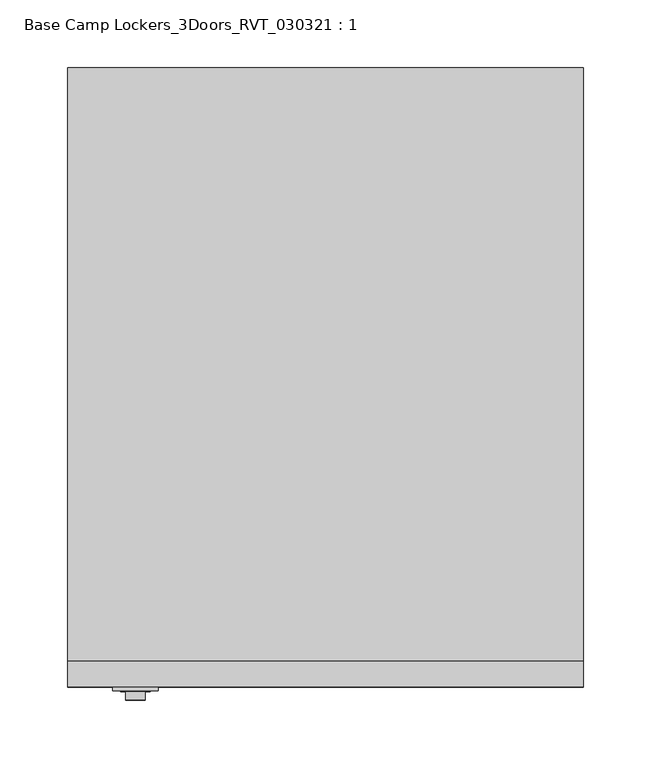
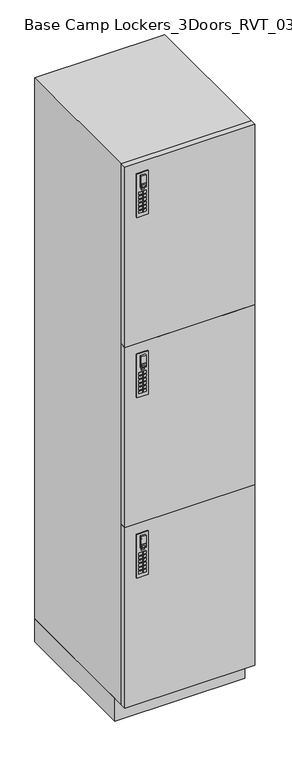
"""IFC4 building model written with IfcOpenShell, lengths in millimetres: furniture geometry, Base Camp Lockers_3Doors_RVT_030321 : 1."""

from ifc_helpers import new_model, si_unit, point, frame, frame_2d, origin, origin_with_axes, place, context, project, spatial, polyline, circle_curve, trimmed, segment, composite_curve, outline, extrude, source, transform, mapped, element, save


def base_camp_lockers_3doors_rvt_030321_1_54a987f4(model_context):
    return source(origin(), model_context, "Body", "SweptSolid", [
        extrude(outline(polyline([(-335.5659847, -459.994), (-326.1679847, -459.994), (-326.1679847, -460.8078831), (-335.5659847, -460.8078831), (-335.5659847, -459.994)])), frame((0.0, 0.0, 546.5907206), z_axis=(0.0, 0.0, 1.0), x_axis=(1.0, 0.0, 0.0)), (0.0, 0.0, 1.0), 4.8387031),
        extrude(outline(polyline([(-341.8914743, -459.994), (-331.9854743, -459.994), (-331.9854743, -460.8078831), (-341.8914743, -460.8078831), (-341.8914743, -459.994)])), frame((0.0, 0.0, 510.032), z_axis=(0.0, 0.0, 1.0), x_axis=(1.0, 0.0, 0.0)), (0.0, 0.0, 1.0), 7.874),
        extrude(outline(polyline([(-341.8914743, -459.994), (-331.9854743, -459.994), (-331.9854743, -460.8078831), (-341.8914743, -460.8078831), (-341.8914743, -459.994)])), frame((0.0, 0.0, 498.602), z_axis=(0.0, 0.0, 1.0), x_axis=(1.0, 0.0, 0.0)), (0.0, 0.0, 1.0), 7.874),
        extrude(outline(polyline([(-341.8914743, -459.994), (-331.9854743, -459.994), (-331.9854743, -460.8078831), (-341.8914743, -460.8078831), (-341.8914743, -459.994)])), frame((0.0, 0.0, 532.892), z_axis=(0.0, 0.0, 1.0), x_axis=(1.0, 0.0, 0.0)), (0.0, 0.0, 1.0), 7.874),
        extrude(outline(polyline([(-341.8914743, -459.994), (-331.9854743, -459.994), (-331.9854743, -460.8078831), (-341.8914743, -460.8078831), (-341.8914743, -459.994)])), frame((0.0, 0.0, 521.462), z_axis=(0.0, 0.0, 1.0), x_axis=(1.0, 0.0, 0.0)), (0.0, 0.0, 1.0), 7.874),
        extrude(outline(polyline([(-341.8914743, -459.994), (-331.9854743, -459.994), (-331.9854743, -460.8078831), (-341.8914743, -460.8078831), (-341.8914743, -459.994)])), frame((0.0, 0.0, 487.172), z_axis=(0.0, 0.0, 1.0), x_axis=(1.0, 0.0, 0.0)), (0.0, 0.0, 1.0), 7.874),
        extrude(outline(polyline([(-341.8914743, -459.994), (-331.9854743, -459.994), (-331.9854743, -460.8078831), (-341.8914743, -460.8078831), (-341.8914743, -459.994)])), frame((0.0, 0.0, 475.742), z_axis=(0.0, 0.0, 1.0), x_axis=(1.0, 0.0, 0.0)), (0.0, 0.0, 1.0), 7.874),
        extrude(outline(polyline([(-329.9385257, -459.994), (-320.0325257, -459.994), (-320.0325257, -460.8078831), (-329.9385257, -460.8078831), (-329.9385257, -459.994)])), frame((0.0, 0.0, 510.032), z_axis=(0.0, 0.0, 1.0), x_axis=(1.0, 0.0, 0.0)), (0.0, 0.0, 1.0), 7.874),
        extrude(outline(polyline([(-329.9385257, -459.994), (-320.0325257, -459.994), (-320.0325257, -460.8078831), (-329.9385257, -460.8078831), (-329.9385257, -459.994)])), frame((0.0, 0.0, 498.602), z_axis=(0.0, 0.0, 1.0), x_axis=(1.0, 0.0, 0.0)), (0.0, 0.0, 1.0), 7.874),
        extrude(outline(polyline([(-329.9385257, -459.994), (-320.0325257, -459.994), (-320.0325257, -460.8078831), (-329.9385257, -460.8078831), (-329.9385257, -459.994)])), frame((0.0, 0.0, 532.892), z_axis=(0.0, 0.0, 1.0), x_axis=(1.0, 0.0, 0.0)), (0.0, 0.0, 1.0), 7.874),
        extrude(outline(polyline([(-329.9385257, -459.994), (-320.0325257, -459.994), (-320.0325257, -460.8078831), (-329.9385257, -460.8078831), (-329.9385257, -459.994)])), frame((0.0, 0.0, 521.462), z_axis=(0.0, 0.0, 1.0), x_axis=(1.0, 0.0, 0.0)), (0.0, 0.0, 1.0), 7.874),
        extrude(outline(polyline([(-329.9385257, -459.994), (-320.0325257, -459.994), (-320.0325257, -460.8078831), (-329.9385257, -460.8078831), (-329.9385257, -459.994)])), frame((0.0, 0.0, 487.172), z_axis=(0.0, 0.0, 1.0), x_axis=(1.0, 0.0, 0.0)), (0.0, 0.0, 1.0), 7.874),
        extrude(outline(polyline([(-329.9385257, -459.994), (-320.0325257, -459.994), (-320.0325257, -460.8078831), (-329.9385257, -460.8078831), (-329.9385257, -459.994)])), frame((0.0, 0.0, 475.742), z_axis=(0.0, 0.0, 1.0), x_axis=(1.0, 0.0, 0.0)), (0.0, 0.0, 1.0), 7.874),
        extrude(outline(composite_curve([segment(trimmed(circle_curve(frame_2d((582.4707407, -330.962)), 3.302), [point((582.4707407, -334.264))], [point((582.4707407, -327.66))], False, "CARTESIAN"), True, "CONTINUOUS"), segment(trimmed(circle_curve(frame_2d((582.4707407, -330.962)), 3.302), [point((582.4707407, -327.66))], [point((582.4707407, -334.264))], False, "CARTESIAN"), True, "CONTINUOUS")], self_intersect=False)), frame((0.0, -461.01, 0.0), z_axis=(0.0, 1.0, 0.0), x_axis=(0.0, 0.0, 1.0)), (0.0, 0.0, 1.0), 1.016),
        extrude(outline(polyline([(592.836, -323.723), (592.836, -338.201), (556.26, -338.201), (556.26, -323.723), (592.836, -323.723)]), holes=[polyline([(558.7050696, -326.1679847), (558.7050696, -335.5659847), (569.3404975, -335.5659847), (569.3404975, -326.1679847), (558.7050696, -326.1679847)])]), frame((0.0, -466.852, 0.0), z_axis=(0.0, 1.0, 0.0), x_axis=(0.0, 0.0, 1.0)), (0.0, 0.0, 1.0), 5.842),
        extrude(outline(polyline([(-347.726, -457.2), (-314.198, -457.2), (-314.198, -459.994), (-347.726, -459.994), (-347.726, -457.2)])), frame((0.0, 0.0, 464.566), z_axis=(0.0, 0.0, 1.0), x_axis=(1.0, 0.0, 0.0)), (0.0, 0.0, 1.0), 134.62),
        extrude(outline(polyline([(-335.5659847, -459.994), (-326.1679847, -459.994), (-326.1679847, -460.8078831), (-335.5659847, -460.8078831), (-335.5659847, -459.994)])), frame((0.0, 0.0, 1105.3907206), z_axis=(0.0, 0.0, 1.0), x_axis=(1.0, 0.0, 0.0)), (0.0, 0.0, 1.0), 4.8387031),
        extrude(outline(polyline([(-341.8914743, -459.994), (-331.9854743, -459.994), (-331.9854743, -460.8078831), (-341.8914743, -460.8078831), (-341.8914743, -459.994)])), frame((0.0, 0.0, 1068.832), z_axis=(0.0, 0.0, 1.0), x_axis=(1.0, 0.0, 0.0)), (0.0, 0.0, 1.0), 7.874),
        extrude(outline(polyline([(-341.8914743, -459.994), (-331.9854743, -459.994), (-331.9854743, -460.8078831), (-341.8914743, -460.8078831), (-341.8914743, -459.994)])), frame((0.0, 0.0, 1057.402), z_axis=(0.0, 0.0, 1.0), x_axis=(1.0, 0.0, 0.0)), (0.0, 0.0, 1.0), 7.874),
        extrude(outline(polyline([(-341.8914743, -459.994), (-331.9854743, -459.994), (-331.9854743, -460.8078831), (-341.8914743, -460.8078831), (-341.8914743, -459.994)])), frame((0.0, 0.0, 1091.692), z_axis=(0.0, 0.0, 1.0), x_axis=(1.0, 0.0, 0.0)), (0.0, 0.0, 1.0), 7.874),
        extrude(outline(polyline([(-341.8914743, -459.994), (-331.9854743, -459.994), (-331.9854743, -460.8078831), (-341.8914743, -460.8078831), (-341.8914743, -459.994)])), frame((0.0, 0.0, 1080.262), z_axis=(0.0, 0.0, 1.0), x_axis=(1.0, 0.0, 0.0)), (0.0, 0.0, 1.0), 7.874),
        extrude(outline(polyline([(-341.8914743, -459.994), (-331.9854743, -459.994), (-331.9854743, -460.8078831), (-341.8914743, -460.8078831), (-341.8914743, -459.994)])), frame((0.0, 0.0, 1045.972), z_axis=(0.0, 0.0, 1.0), x_axis=(1.0, 0.0, 0.0)), (0.0, 0.0, 1.0), 7.874),
        extrude(outline(polyline([(-341.8914743, -459.994), (-331.9854743, -459.994), (-331.9854743, -460.8078831), (-341.8914743, -460.8078831), (-341.8914743, -459.994)])), frame((0.0, 0.0, 1034.542), z_axis=(0.0, 0.0, 1.0), x_axis=(1.0, 0.0, 0.0)), (0.0, 0.0, 1.0), 7.874),
        extrude(outline(polyline([(-329.9385257, -459.994), (-320.0325257, -459.994), (-320.0325257, -460.8078831), (-329.9385257, -460.8078831), (-329.9385257, -459.994)])), frame((0.0, 0.0, 1068.832), z_axis=(0.0, 0.0, 1.0), x_axis=(1.0, 0.0, 0.0)), (0.0, 0.0, 1.0), 7.874),
        extrude(outline(polyline([(-329.9385257, -459.994), (-320.0325257, -459.994), (-320.0325257, -460.8078831), (-329.9385257, -460.8078831), (-329.9385257, -459.994)])), frame((0.0, 0.0, 1057.402), z_axis=(0.0, 0.0, 1.0), x_axis=(1.0, 0.0, 0.0)), (0.0, 0.0, 1.0), 7.874),
        extrude(outline(polyline([(-329.9385257, -459.994), (-320.0325257, -459.994), (-320.0325257, -460.8078831), (-329.9385257, -460.8078831), (-329.9385257, -459.994)])), frame((0.0, 0.0, 1091.692), z_axis=(0.0, 0.0, 1.0), x_axis=(1.0, 0.0, 0.0)), (0.0, 0.0, 1.0), 7.874),
        extrude(outline(polyline([(-329.9385257, -459.994), (-320.0325257, -459.994), (-320.0325257, -460.8078831), (-329.9385257, -460.8078831), (-329.9385257, -459.994)])), frame((0.0, 0.0, 1080.262), z_axis=(0.0, 0.0, 1.0), x_axis=(1.0, 0.0, 0.0)), (0.0, 0.0, 1.0), 7.874),
        extrude(outline(polyline([(-329.9385257, -459.994), (-320.0325257, -459.994), (-320.0325257, -460.8078831), (-329.9385257, -460.8078831), (-329.9385257, -459.994)])), frame((0.0, 0.0, 1045.972), z_axis=(0.0, 0.0, 1.0), x_axis=(1.0, 0.0, 0.0)), (0.0, 0.0, 1.0), 7.874),
        extrude(outline(polyline([(-329.9385257, -459.994), (-320.0325257, -459.994), (-320.0325257, -460.8078831), (-329.9385257, -460.8078831), (-329.9385257, -459.994)])), frame((0.0, 0.0, 1034.542), z_axis=(0.0, 0.0, 1.0), x_axis=(1.0, 0.0, 0.0)), (0.0, 0.0, 1.0), 7.874),
        extrude(outline(composite_curve([segment(trimmed(circle_curve(frame_2d((1141.2707407, -330.962)), 3.302), [point((1141.2707407, -334.264))], [point((1141.2707407, -327.66))], False, "CARTESIAN"), True, "CONTINUOUS"), segment(trimmed(circle_curve(frame_2d((1141.2707407, -330.962)), 3.302), [point((1141.2707407, -327.66))], [point((1141.2707407, -334.264))], False, "CARTESIAN"), True, "CONTINUOUS")], self_intersect=False)), frame((0.0, -461.01, 0.0), z_axis=(0.0, 1.0, 0.0), x_axis=(0.0, 0.0, 1.0)), (0.0, 0.0, 1.0), 1.016),
        extrude(outline(polyline([(1151.636, -323.723), (1151.636, -338.201), (1115.06, -338.201), (1115.06, -323.723), (1151.636, -323.723)]), holes=[polyline([(1117.5050696, -326.1679847), (1117.5050696, -335.5659847), (1128.1404975, -335.5659847), (1128.1404975, -326.1679847), (1117.5050696, -326.1679847)])]), frame((0.0, -466.852, 0.0), z_axis=(0.0, 1.0, 0.0), x_axis=(0.0, 0.0, 1.0)), (0.0, 0.0, 1.0), 5.842),
        extrude(outline(polyline([(-347.726, -457.2), (-314.198, -457.2), (-314.198, -459.994), (-347.726, -459.994), (-347.726, -457.2)])), frame((0.0, 0.0, 1023.366), z_axis=(0.0, 0.0, 1.0), x_axis=(1.0, 0.0, 0.0)), (0.0, 0.0, 1.0), 134.62),
        extrude(outline(polyline([(-335.5659847, -459.994), (-326.1679847, -459.994), (-326.1679847, -460.8078831), (-335.5659847, -460.8078831), (-335.5659847, -459.994)])), frame((0.0, 0.0, 1664.1907206), z_axis=(0.0, 0.0, 1.0), x_axis=(1.0, 0.0, 0.0)), (0.0, 0.0, 1.0), 4.8387031),
        extrude(outline(polyline([(-341.8914743, -459.994), (-331.9854743, -459.994), (-331.9854743, -460.8078831), (-341.8914743, -460.8078831), (-341.8914743, -459.994)])), frame((0.0, 0.0, 1627.632), z_axis=(0.0, 0.0, 1.0), x_axis=(1.0, 0.0, 0.0)), (0.0, 0.0, 1.0), 7.874),
        extrude(outline(polyline([(-341.8914743, -459.994), (-331.9854743, -459.994), (-331.9854743, -460.8078831), (-341.8914743, -460.8078831), (-341.8914743, -459.994)])), frame((0.0, 0.0, 1616.202), z_axis=(0.0, 0.0, 1.0), x_axis=(1.0, 0.0, 0.0)), (0.0, 0.0, 1.0), 7.874),
        extrude(outline(polyline([(-341.8914743, -459.994), (-331.9854743, -459.994), (-331.9854743, -460.8078831), (-341.8914743, -460.8078831), (-341.8914743, -459.994)])), frame((0.0, 0.0, 1650.492), z_axis=(0.0, 0.0, 1.0), x_axis=(1.0, 0.0, 0.0)), (0.0, 0.0, 1.0), 7.874),
        extrude(outline(polyline([(-341.8914743, -459.994), (-331.9854743, -459.994), (-331.9854743, -460.8078831), (-341.8914743, -460.8078831), (-341.8914743, -459.994)])), frame((0.0, 0.0, 1639.062), z_axis=(0.0, 0.0, 1.0), x_axis=(1.0, 0.0, 0.0)), (0.0, 0.0, 1.0), 7.874),
        extrude(outline(polyline([(-341.8914743, -459.994), (-331.9854743, -459.994), (-331.9854743, -460.8078831), (-341.8914743, -460.8078831), (-341.8914743, -459.994)])), frame((0.0, 0.0, 1604.772), z_axis=(0.0, 0.0, 1.0), x_axis=(1.0, 0.0, 0.0)), (0.0, 0.0, 1.0), 7.874),
        extrude(outline(polyline([(-341.8914743, -459.994), (-331.9854743, -459.994), (-331.9854743, -460.8078831), (-341.8914743, -460.8078831), (-341.8914743, -459.994)])), frame((0.0, 0.0, 1593.342), z_axis=(0.0, 0.0, 1.0), x_axis=(1.0, 0.0, 0.0)), (0.0, 0.0, 1.0), 7.874),
        extrude(outline(polyline([(-329.9385257, -459.994), (-320.0325257, -459.994), (-320.0325257, -460.8078831), (-329.9385257, -460.8078831), (-329.9385257, -459.994)])), frame((0.0, 0.0, 1627.632), z_axis=(0.0, 0.0, 1.0), x_axis=(1.0, 0.0, 0.0)), (0.0, 0.0, 1.0), 7.874),
        extrude(outline(polyline([(-329.9385257, -459.994), (-320.0325257, -459.994), (-320.0325257, -460.8078831), (-329.9385257, -460.8078831), (-329.9385257, -459.994)])), frame((0.0, 0.0, 1616.202), z_axis=(0.0, 0.0, 1.0), x_axis=(1.0, 0.0, 0.0)), (0.0, 0.0, 1.0), 7.874),
        extrude(outline(polyline([(-329.9385257, -459.994), (-320.0325257, -459.994), (-320.0325257, -460.8078831), (-329.9385257, -460.8078831), (-329.9385257, -459.994)])), frame((0.0, 0.0, 1650.492), z_axis=(0.0, 0.0, 1.0), x_axis=(1.0, 0.0, 0.0)), (0.0, 0.0, 1.0), 7.874),
        extrude(outline(polyline([(-329.9385257, -459.994), (-320.0325257, -459.994), (-320.0325257, -460.8078831), (-329.9385257, -460.8078831), (-329.9385257, -459.994)])), frame((0.0, 0.0, 1639.062), z_axis=(0.0, 0.0, 1.0), x_axis=(1.0, 0.0, 0.0)), (0.0, 0.0, 1.0), 7.874),
        extrude(outline(polyline([(-329.9385257, -459.994), (-320.0325257, -459.994), (-320.0325257, -460.8078831), (-329.9385257, -460.8078831), (-329.9385257, -459.994)])), frame((0.0, 0.0, 1604.772), z_axis=(0.0, 0.0, 1.0), x_axis=(1.0, 0.0, 0.0)), (0.0, 0.0, 1.0), 7.874),
        extrude(outline(polyline([(-329.9385257, -459.994), (-320.0325257, -459.994), (-320.0325257, -460.8078831), (-329.9385257, -460.8078831), (-329.9385257, -459.994)])), frame((0.0, 0.0, 1593.342), z_axis=(0.0, 0.0, 1.0), x_axis=(1.0, 0.0, 0.0)), (0.0, 0.0, 1.0), 7.874),
        extrude(outline(composite_curve([segment(trimmed(circle_curve(frame_2d((1700.0707407, -330.962)), 3.302), [point((1700.0707407, -334.264))], [point((1700.0707407, -327.66))], False, "CARTESIAN"), True, "CONTINUOUS"), segment(trimmed(circle_curve(frame_2d((1700.0707407, -330.962)), 3.302), [point((1700.0707407, -327.66))], [point((1700.0707407, -334.264))], False, "CARTESIAN"), True, "CONTINUOUS")], self_intersect=False)), frame((0.0, -461.01, 0.0), z_axis=(0.0, 1.0, 0.0), x_axis=(0.0, 0.0, 1.0)), (0.0, 0.0, 1.0), 1.016),
        extrude(outline(polyline([(1710.436, -323.723), (1710.436, -338.201), (1673.86, -338.201), (1673.86, -323.723), (1710.436, -323.723)]), holes=[polyline([(1676.3050696, -326.1679847), (1676.3050696, -335.5659847), (1686.9404975, -335.5659847), (1686.9404975, -326.1679847), (1676.3050696, -326.1679847)])]), frame((0.0, -466.852, 0.0), z_axis=(0.0, 1.0, 0.0), x_axis=(0.0, 0.0, 1.0)), (0.0, 0.0, 1.0), 5.842),
        extrude(outline(polyline([(-347.726, -457.2), (-314.198, -457.2), (-314.198, -459.994), (-347.726, -459.994), (-347.726, -457.2)])), frame((0.0, 0.0, 1582.166), z_axis=(0.0, 0.0, 1.0), x_axis=(1.0, 0.0, 0.0)), (0.0, 0.0, 1.0), 134.62),
        extrude(outline(polyline([(-381.0, -438.15), (0.0, -438.15), (0.0, -457.2), (-381.0, -457.2), (-381.0, -438.15)])), frame((0.0, 0.0, 71.12), z_axis=(0.0, 0.0, 1.0), x_axis=(1.0, 0.0, 0.0)), (0.0, 0.0, 1.0), 558.8),
        extrude(outline(polyline([(-381.0, -438.15), (0.0, -438.15), (0.0, -457.2), (-381.0, -457.2), (-381.0, -438.15)])), frame((0.0, 0.0, 629.92), z_axis=(0.0, 0.0, 1.0), x_axis=(1.0, 0.0, 0.0)), (0.0, 0.0, 1.0), 558.8),
        extrude(outline(polyline([(-381.0, -438.15), (0.0, -438.15), (0.0, -457.2), (-381.0, -457.2), (-381.0, -438.15)])), frame((0.0, 0.0, 1188.72), z_axis=(0.0, 0.0, 1.0), x_axis=(1.0, 0.0, 0.0)), (0.0, 0.0, 1.0), 558.8),
        extrude(outline(polyline([(0.0, 0.0), (0.0, -438.15), (-381.0, -438.15), (-381.0, 0.0), (0.0, 0.0)])), frame((0.0, 0.0, 71.12), z_axis=(0.0, 0.0, 1.0), x_axis=(1.0, 0.0, 0.0)), (0.0, 0.0, 1.0), 1676.4),
        extrude(outline(polyline([(0.0, -406.4), (-381.0, -406.4), (-381.0, 0.0), (0.0, 0.0), (0.0, -406.4)])), origin_with_axes(), (0.0, 0.0, 1.0), 71.12),
    ])


if __name__ == "__main__":
    model = new_model("IFC4")
    model_context = context("Model", 3, world=origin())
    ifc_project = project(units=[si_unit("LENGTHUNIT", "METRE", prefix="MILLI")], contexts=[model_context])
    site = spatial("IfcSite", under=ifc_project)
    building = spatial("IfcBuilding", under=site)
    placement = place(None, origin())
    base_camp_lockers_3doors_rvt_030321_1_shape = base_camp_lockers_3doors_rvt_030321_1_54a987f4(model_context)
    element("IfcFurniture", 1, ObjectType="Base Camp Lockers_3Doors_RVT_030321 : 1", at=placement, inside=building, context=model_context, shape_type="MappedRepresentation", body=[
        mapped(base_camp_lockers_3doors_rvt_030321_1_shape, transform((0.0, 0.0, 0.0), x_axis=(1.0, 0.0, 0.0), y_axis=(0.0, 1.0, 0.0), z_axis=(0.0, 0.0, 1.0))),
    ])
    save(model, "model.ifc")
